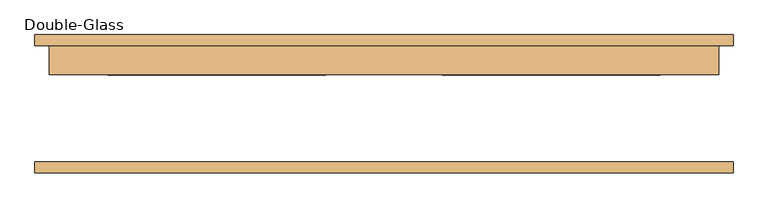
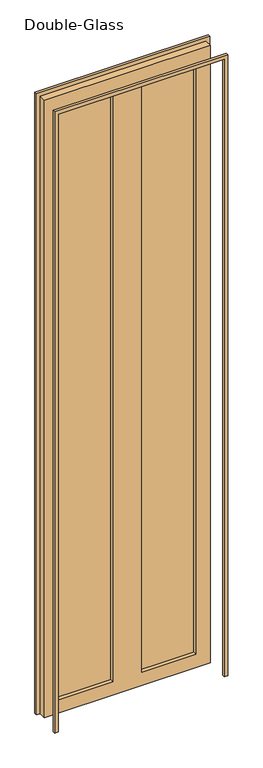
"""IFC4 building model written with IfcOpenShell, lengths in millimetres: door geometry, Double-Glass."""

import ifcopenshell
import ifcopenshell.guid

model = None  # the IFC model being written
_history = None  # IfcOwnerHistory: only IFC2X3 demands one
_inside = {}  # id of a spatial element -> (the spatial element, [elements in it])
_under = {}  # id of a project, library or spatial element -> (it, [spatial elements below it])
_declared = {}  # id of a project -> (the project, [libraries it declares])
_typed = {}  # id of a type object -> (the type object, [elements of that type])
_made_of = {}  # id of a material, layer set ... -> (it, [elements and type objects made of it])


def new_model(schema):
    """Start an empty IFC model of exactly this schema.

    Asked for "IFC4X3", IfcOpenShell would pick the latest addendum, in which some entities
    have other attributes; the version numbers below select the first issue.
    IFC2X3 requires an IfcOwnerHistory on every rooted entity: one is made here for all.
    """
    global model, _history
    if schema == "IFC4X3":
        model = ifcopenshell.file(schema_version=(4, 3, 0, 0))
    else:
        model = ifcopenshell.file(schema=schema)
    _inside.clear()
    _under.clear()
    _declared.clear()
    _typed.clear()
    _made_of.clear()
    _history = None
    if model.schema == "IFC2X3":
        org = make("IfcOrganization", Name="unknown")
        user = make(
            "IfcPersonAndOrganization",
            ThePerson=make("IfcPerson", FamilyName="unknown"),
            TheOrganization=org,
        )
        app = make(
            "IfcApplication",
            ApplicationDeveloper=org,
            Version="unknown",
            ApplicationFullName="unknown",
            ApplicationIdentifier="unknown",
        )
        _history = make(
            "IfcOwnerHistory",
            OwningUser=user,
            OwningApplication=app,
            ChangeAction="ADDED",
            CreationDate=0,
        )
    return model


def make(cls, **values):
    """One entity of the class cls with the attributes given. An attribute that is None is left unset."""
    return model.create_entity(
        cls, **{name: value for name, value in values.items() if value is not None}
    )


def rooted(cls, **values):
    """An entity with a GlobalId (a new one), such as an element, a storey or a relation."""
    return make(cls, GlobalId=ifcopenshell.guid.new(), OwnerHistory=_history, **values)


def si_unit(unit_type, name, prefix=None):
    """IfcSIUnit, for example si_unit("LENGTHUNIT", "METRE", prefix="MILLI")."""
    return make("IfcSIUnit", UnitType=unit_type, Prefix=prefix, Name=name)


def assignment(units):
    """IfcUnitAssignment: the units of a project."""
    return None if units is None else make("IfcUnitAssignment", Units=units)


def point(xyz):
    """IfcCartesianPoint."""
    return None if xyz is None else make("IfcCartesianPoint", Coordinates=xyz)


def direction(xyz):
    """IfcDirection."""
    return None if xyz is None else make("IfcDirection", DirectionRatios=xyz)


def frame(location, z_axis=None, x_axis=None):
    """IfcAxis2Placement3D, a coordinate frame: its origin and axes. An axis left out is left unset."""
    return make(
        "IfcAxis2Placement3D",
        Location=point(location),
        Axis=direction(z_axis),
        RefDirection=direction(x_axis),
    )


def origin():
    """The frame at (0, 0, 0) with its axes left unset."""
    return frame((0.0, 0.0, 0.0))


def place(relative_to, where):
    """IfcLocalPlacement: puts the frame where relative to a parent placement (None: the world)."""
    return make(
        "IfcLocalPlacement", PlacementRelTo=relative_to, RelativePlacement=where
    )


def context(
    kind, dimensions, precision=None, world=None, true_north=None, identifier=None
):
    """IfcGeometricRepresentationContext, for example the 3D "Model" context."""
    return make(
        "IfcGeometricRepresentationContext",
        ContextIdentifier=identifier,
        ContextType=kind,
        CoordinateSpaceDimension=dimensions,
        Precision=precision,
        WorldCoordinateSystem=world,
        TrueNorth=true_north,
    )


def project(units=None, contexts=None):
    """IfcProject with its units and contexts."""
    return rooted(
        "IfcProject",
        Name="project",
        RepresentationContexts=contexts,
        UnitsInContext=assignment(units),
    )


def spatial(cls, under=None, at=None, **own):
    """A site, building, storey or space (cls), placed at a placement, below another one or the project."""
    s = rooted(cls, ObjectPlacement=at, **own)
    if under is not None:
        _under.setdefault(under.id(), (under, []))[1].append(s)
    return s


def polyline(points):
    """IfcPolyline through the points."""
    return make("IfcPolyline", Points=[point(p) for p in points])


def outline(outer, holes=None, kind="AREA"):
    """IfcArbitraryClosedProfileDef: a profile drawn as a closed curve; with holes, ...WithVoids."""
    if holes is None:
        return make("IfcArbitraryClosedProfileDef", ProfileType=kind, OuterCurve=outer)
    return make(
        "IfcArbitraryProfileDefWithVoids",
        ProfileType=kind,
        OuterCurve=outer,
        InnerCurves=holes,
    )


def extrude(swept, where, along, depth):
    """IfcExtrudedAreaSolid: the profile swept, set in the frame where, extruded along a direction by depth."""
    return make(
        "IfcExtrudedAreaSolid",
        SweptArea=swept,
        Position=where,
        ExtrudedDirection=direction(along),
        Depth=depth,
    )


def shape(context_of_items, identifier, shape_type, items):
    """IfcShapeRepresentation: the items that make up one representation, for example the "Body"."""
    return make(
        "IfcShapeRepresentation",
        ContextOfItems=context_of_items,
        RepresentationIdentifier=identifier,
        RepresentationType=shape_type,
        Items=items,
    )


def source(mapping_origin, context_of_items, identifier, shape_type, items):
    """IfcRepresentationMap: a shape defined once, which mapped items show again and again."""
    return make(
        "IfcRepresentationMap",
        MappingOrigin=mapping_origin,
        MappedRepresentation=shape(context_of_items, identifier, shape_type, items),
    )


def transform(
    local_origin,
    x_axis=None,
    y_axis=None,
    z_axis=None,
    scale=None,
    scale2=None,
    scale3=None,
    uniform=True,
):
    """IfcCartesianTransformationOperator3D, or its non-uniform kind. x_axis, y_axis, z_axis: its Axis1, 2, 3."""
    if uniform:
        return make(
            "IfcCartesianTransformationOperator3D",
            Axis1=direction(x_axis),
            Axis2=direction(y_axis),
            LocalOrigin=point(local_origin),
            Scale=scale,
            Axis3=direction(z_axis),
        )
    return make(
        "IfcCartesianTransformationOperator3DnonUniform",
        Axis1=direction(x_axis),
        Axis2=direction(y_axis),
        LocalOrigin=point(local_origin),
        Scale=scale,
        Axis3=direction(z_axis),
        Scale2=scale2,
        Scale3=scale3,
    )


def mapped(mapping_source, mapping_target):
    """IfcMappedItem: shows the shape of a source again, moved by a transform."""
    return make(
        "IfcMappedItem", MappingSource=mapping_source, MappingTarget=mapping_target
    )


def made_of(thing, what):
    """Note that an element or type object is made of a material, layer set ...; save() writes the relation."""
    if what is not None:
        _made_of.setdefault(what.id(), (what, []))[1].append(thing)
    return thing


def element(
    cls,
    number,
    at=None,
    inside=None,
    cuts=None,
    type_object=None,
    material=None,
    context=None,
    identifier="Body",
    shape_type=None,
    held_by="IfcProductDefinitionShape",
    body=None,
    shapes=None,
    **own,
):
    """One element of the class cls, such as IfcWall. Its Tag is "e" and its number.

    at: its placement. inside: the storey or other place that contains it. cuts: it is an
    opening in that element (IfcRelVoidsElement). A single representation is given by context,
    identifier, shape_type and body (its items); several are given by shapes. held_by: the class
    of the entity that holds the representations. save() writes the other relations.
    """
    e = rooted(cls, Tag="e%d" % number, ObjectPlacement=at, **own)
    if body is not None:
        shapes = [shape(context, identifier, shape_type, body)]
    if shapes is not None:
        e.Representation = make(held_by, Representations=shapes)
    if inside is not None:
        _inside.setdefault(inside.id(), (inside, []))[1].append(e)
    if cuts is not None:
        rooted(
            "IfcRelVoidsElement", RelatingBuildingElement=cuts, RelatedOpeningElement=e
        )
    if type_object is not None:
        _typed.setdefault(type_object.id(), (type_object, []))[1].append(e)
    return made_of(e, material)


def aggregate(whole, parts):
    """IfcRelAggregates: a whole, such as a stair, and the parts it consists of."""
    return rooted("IfcRelAggregates", RelatingObject=whole, RelatedObjects=parts)


def save(model, path):
    """Write the relations noted so far, then the file.

    IfcRelAggregates (storeys below a building ...), IfcRelContainedInSpatialStructure (elements
    in a storey), IfcRelDefinesByType, IfcRelAssociatesMaterial and IfcRelDeclares: one each for
    every whole, place, type object, material and project.
    """
    for whole, parts in _under.values():
        aggregate(whole, parts)
    for where, things in _inside.values():
        rooted(
            "IfcRelContainedInSpatialStructure",
            RelatedElements=things,
            RelatingStructure=where,
        )
    for kind, things in _typed.values():
        rooted("IfcRelDefinesByType", RelatedObjects=things, RelatingType=kind)
    for what, things in _made_of.values():
        rooted("IfcRelAssociatesMaterial", RelatedObjects=things, RelatingMaterial=what)
    for by, libraries in _declared.values():
        rooted("IfcRelDeclares", RelatingContext=by, RelatedDefinitions=libraries)
    model.write(path)


def double_glass_0d6a6732(model_context):
    return source(origin(), model_context, "Body", "SweptSolid", [
        extrude(outline(polyline([(0.0, 609.6), (4625.4, 609.6), (4625.4, -609.6), (0.0, -609.6), (0.0, -584.2), (4600.0, -584.2), (4600.0, 584.2), (0.0, 584.2), (0.0, 609.6)])), frame((0.0, -118.26875, 0.0), z_axis=(0.0, 1.0, 0.0), x_axis=(0.0, 0.0, 1.0)), (0.0, 0.0, 1.0), 19.05),
        extrude(outline(polyline([(4600.0, 584.2), (0.0, 584.2), (0.0, 609.6), (4625.4, 609.6), (4625.4, -609.6), (0.0, -609.6), (0.0, -584.2), (4600.0, -584.2), (4600.0, 584.2)])), frame((0.0, 103.98125, 0.0), z_axis=(0.0, 1.0, 0.0), x_axis=(0.0, 0.0, 1.0)), (0.0, 0.0, 1.0), 19.05),
        extrude(outline(polyline([(482.6, 78.58125), (101.6, 78.58125), (101.6, 85.725), (482.6, 85.725), (482.6, 78.58125)])), frame((0.0, 0.0, 101.6), z_axis=(0.0, 0.0, 1.0), x_axis=(1.0, 0.0, 0.0)), (0.0, 0.0, 1.0), 4396.8),
        extrude(outline(polyline([(-101.6, 78.58125), (-482.6, 78.58125), (-482.6, 85.725), (-101.6, 85.725), (-101.6, 78.58125)])), frame((0.0, 0.0, 101.6), z_axis=(0.0, 0.0, 1.0), x_axis=(1.0, 0.0, 0.0)), (0.0, 0.0, 1.0), 4396.8),
        extrude(outline(polyline([(4600.0, 584.2), (4600.0, -584.2), (0.0, -584.2), (0.0, 584.2), (4600.0, 584.2)]), holes=[polyline([(4498.4, -101.6), (101.6, -101.6), (101.6, -482.6), (4498.4, -482.6), (4498.4, -101.6)]), polyline([(4498.4, 482.6), (101.6, 482.6), (101.6, 101.6), (4498.4, 101.6), (4498.4, 482.6)])]), frame((0.0, 53.18125, 0.0), z_axis=(0.0, 1.0, 0.0), x_axis=(0.0, 0.0, 1.0)), (0.0, 0.0, 1.0), 50.8),
    ])


if __name__ == "__main__":
    model = new_model("IFC4")
    model_context = context("Model", 3, world=origin())
    ifc_project = project(units=[si_unit("LENGTHUNIT", "METRE", prefix="MILLI")], contexts=[model_context])
    site = spatial("IfcSite", under=ifc_project)
    building = spatial("IfcBuilding", under=site)
    placement = place(None, origin())
    double_glass_shape = double_glass_0d6a6732(model_context)
    element("IfcDoor", 1, ObjectType="Double-Glass", at=placement, inside=building, context=model_context, shape_type="MappedRepresentation", body=[
        mapped(double_glass_shape, transform((0.0, 0.0, 0.0), x_axis=(1.0, 0.0, 0.0), y_axis=(0.0, 1.0, 0.0), z_axis=(0.0, 0.0, 1.0))),
    ])
    save(model, "model.ifc")
